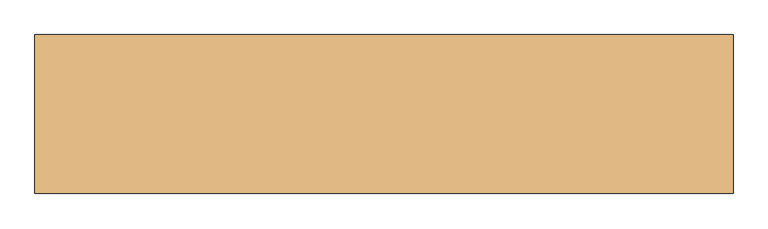
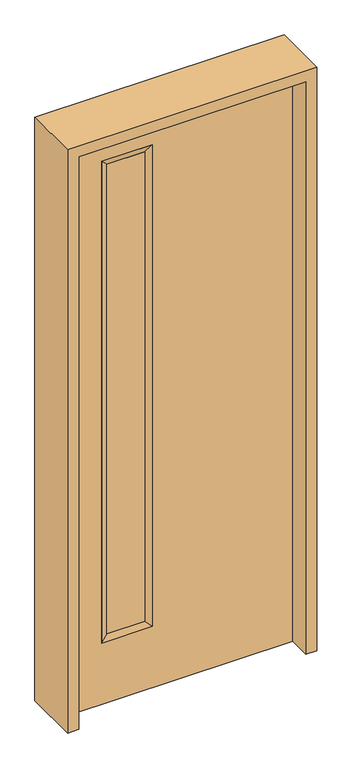
"""IFC4 building model written with IfcOpenShell, lengths in millimetres: door geometry."""

from ifc_helpers import new_model, si_unit, frame, origin, place, context, project, spatial, polyline, outline, extrude, faceted_brep, source, transform, mapped, element, save


def door_d074017b(model_context):
    return source(origin(), model_context, "Body", "SolidModel", [
        extrude(outline(polyline([(-133.35, 14.2875), (-133.35, -14.2875), (-285.75, -14.2875), (-285.75, 14.2875), (-133.35, 14.2875)])), frame((0.0, 0.0, 285.75), z_axis=(0.0, 0.0, 1.0), x_axis=(1.0, 0.0, 0.0)), (0.0, 0.0, 1.0), 2000.25),
        faceted_brep([(-107.95, -22.225, 2311.4), (-107.95, -22.225, 260.35), (-107.95, 22.225, 260.35), (-107.95, 22.225, 2311.4), (-311.15, -22.225, 260.35), (-311.15, 22.225, 260.35), (-133.35, -14.2875, 2286.0), (-133.35, -14.2875, 285.75), (-133.35, 14.2875, 2286.0), (-133.35, 14.2875, 285.75), (-285.75, 14.2875, 285.75), (-285.75, -14.2875, 285.75), (-311.15, -22.225, 2311.4), (-311.15, 22.225, 2311.4), (-285.75, 14.2875, 2286.0), (-285.75, -14.2875, 2286.0)], [[[0, 1, 2, 3]], [[1, 4, 5, 2]], [[6, 7, 1, 0]], [[8, 9, 7, 6]], [[9, 10, 11, 7]], [[4, 12, 13, 5]], [[7, 11, 4, 1]], [[10, 14, 15, 11]], [[11, 15, 12, 4]], [[12, 0, 3, 13]], [[15, 6, 0, 12]], [[14, 8, 6, 15]], [[3, 2, 9, 8]], [[2, 5, 10, 9]], [[5, 13, 14, 10]], [[13, 3, 8, 14]]]),
        extrude(outline(polyline([(2438.4, -457.2), (0.0, -457.2), (0.0, 457.2), (2438.4, 457.2), (2438.4, -457.2)]), holes=[polyline([(2311.4, -107.95), (260.35, -107.95), (260.35, -311.15), (2311.4, -311.15), (2311.4, -107.95)])]), frame((0.0, -22.225, 0.0), z_axis=(0.0, 1.0, 0.0), x_axis=(0.0, 0.0, 1.0)), (0.0, 0.0, 1.0), 44.45),
        extrude(outline(polyline([(0.0, 501.65), (2482.85, 501.65), (2482.85, -501.65), (0.0, -501.65), (0.0, -457.2), (2438.4, -457.2), (2438.4, 457.2), (0.0, 457.2), (0.0, 501.65)])), frame((0.0, -114.3, 0.0), z_axis=(0.0, 1.0, 0.0), x_axis=(0.0, 0.0, 1.0)), (0.0, 0.0, 1.0), 228.6),
    ])


if __name__ == "__main__":
    model = new_model("IFC4")
    model_context = context("Model", 3, world=origin())
    ifc_project = project(units=[si_unit("LENGTHUNIT", "METRE", prefix="MILLI")], contexts=[model_context])
    site = spatial("IfcSite", under=ifc_project)
    building = spatial("IfcBuilding", under=site)
    placement = place(None, origin())
    door_shape = door_d074017b(model_context)
    element("IfcDoor", 1, at=placement, inside=building, context=model_context, shape_type="MappedRepresentation", body=[
        mapped(door_shape, transform((0.0, 0.0, 0.0), x_axis=(1.0, 0.0, 0.0), y_axis=(0.0, 1.0, 0.0), z_axis=(0.0, 0.0, 1.0))),
    ])
    save(model, "model.ifc")
